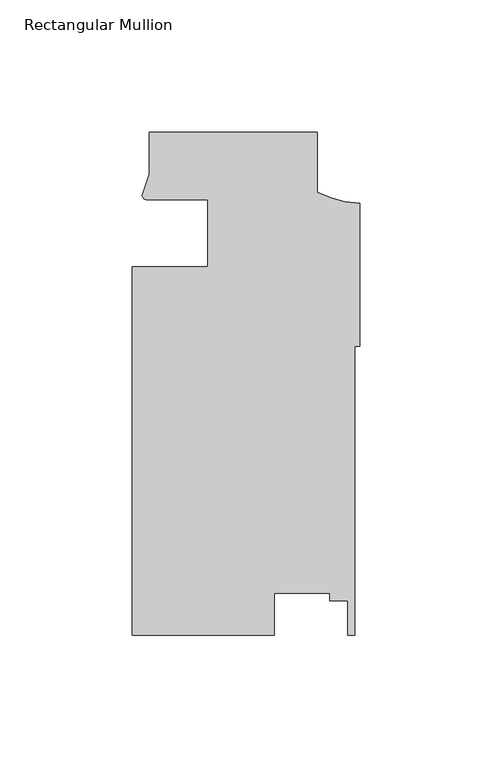
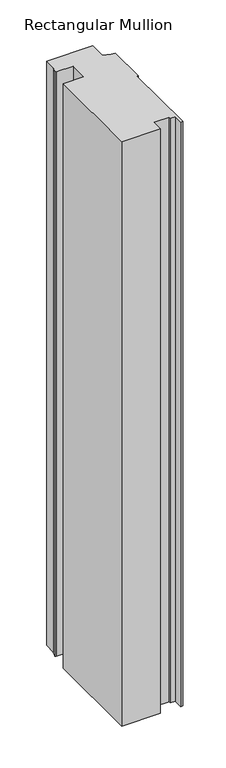
"""IFC4 building model written with IfcOpenShell, lengths in millimetres: member geometry, Rectangular Mullion."""

from ifc_helpers import new_model, si_unit, point, frame, frame_2d, origin, place, context, project, spatial, polyline, circle_curve, trimmed, segment, composite_curve, outline, extrude, source, transform, mapped, element, save


def rectangular_mullion_1a98ab92(model_context):
    return source(origin(), model_context, "Body", "SweptSolid", [
        extrude(outline(composite_curve([segment(polyline([(-85.8370969, -12.7004525), (-57.2620969, -12.6998707), (-57.2620969, 12.3823673)]), True, "CONTINUOUS"), segment(trimmed(circle_curve(frame_2d((-75.1863451, -448.3078197)), 461.0387479), [point((-57.2620969, 12.3823673))], [point((-80.5212257, 12.700061))], True, "CARTESIAN"), True, "CONTINUOUS"), segment(trimmed(circle_curve(frame_2d((-80.4383342, 14.401412)), 1.703369), [point((-80.5212257, 12.700061))], [point((-82.1379521, 14.2884292))], False, "CARTESIAN"), True, "CONTINUOUS"), segment(polyline([(-82.1379521, 14.2884292), (-79.4870969, 22.2250977), (-79.4870969, 38.1), (-15.9870969, 38.1), (-15.9870969, 15.5622869)]), True, "CONTINUOUS"), segment(trimmed(circle_curve(frame_2d((1.9614918, 50.6808025)), 39.4393455), [point((-15.9870969, 15.5622869))], [point((0.0, 11.290264))], True, "CARTESIAN"), True, "CONTINUOUS"), segment(polyline([(0.0, 11.290264), (0.0, -42.740266), (-1.8773984, -42.740266), (-1.8773984, -151.892), (-4.4173983, -151.892), (-4.4173983, -138.8482008), (-11.275398, -138.8482008), (-11.275398, -135.9935955), (-32.2220472, -135.9935955), (-32.2220472, -151.892), (-85.8370969, -151.892), (-85.8370969, -12.7004525)]), True, "CONTINUOUS")], self_intersect=False)), frame((0.0, 0.0, -850.9), z_axis=(0.0, 0.0, 1.0), x_axis=(1.0, 0.0, 0.0)), (0.0, 0.0, 1.0), 850.9),
    ])


if __name__ == "__main__":
    model = new_model("IFC4")
    model_context = context("Model", 3, world=origin())
    ifc_project = project(units=[si_unit("LENGTHUNIT", "METRE", prefix="MILLI")], contexts=[model_context])
    site = spatial("IfcSite", under=ifc_project)
    building = spatial("IfcBuilding", under=site)
    placement = place(None, origin())
    rectangular_mullion_shape = rectangular_mullion_1a98ab92(model_context)
    element("IfcMember", 1, ObjectType="Rectangular Mullion", at=placement, inside=building, context=model_context, shape_type="MappedRepresentation", body=[
        mapped(rectangular_mullion_shape, transform((0.0, 0.0, 0.0), x_axis=(1.0, 0.0, 0.0), y_axis=(0.0, 1.0, 0.0), z_axis=(0.0, 0.0, 1.0))),
    ])
    save(model, "model.ifc")
